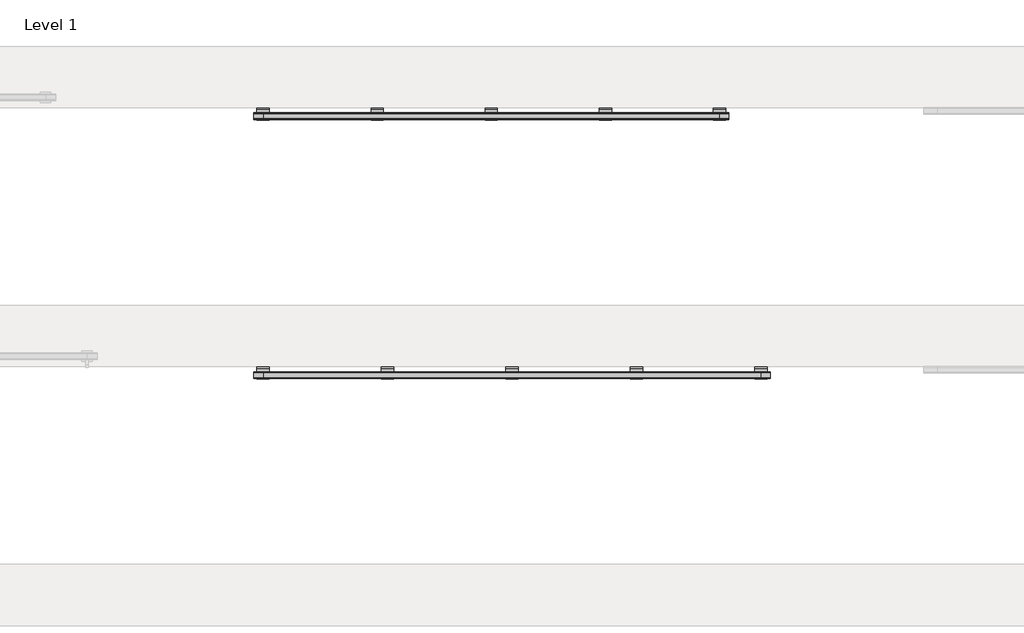
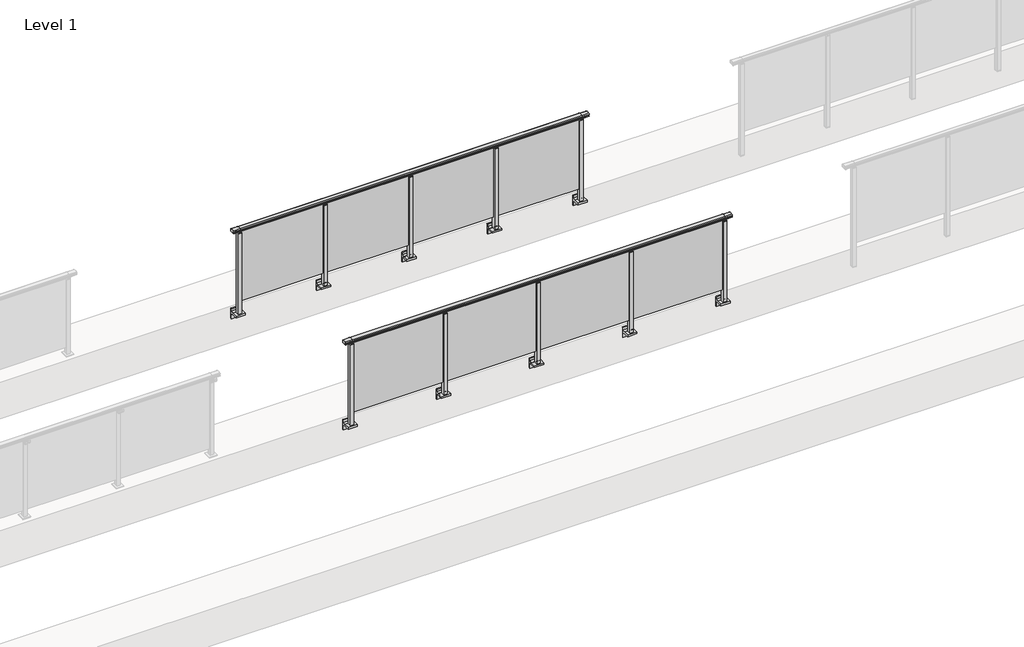
# One storey, part 56 of 64: 2 railings.
"""IFC4 building model written with IfcOpenShell, lengths in millimetres."""

from ifc_helpers import new_model, si_unit, point, frame, frame_2d, origin, place, context, project, spatial, polyline, circle_curve, trimmed, segment, composite_curve, outline, extrude, element, save
from ifc_brep_helpers import plane_surface, cylinder_surface, revolved_surface, advanced_brep

model = new_model("IFC4")

# Units and contexts
model_context = context("Model", 3, world=origin())
ifc_project = project(units=[si_unit("LENGTHUNIT", "METRE", prefix="MILLI")], contexts=[model_context])

# Site, building, storey
site = spatial("IfcSite", under=ifc_project)
building = spatial("IfcBuilding", under=site)
storey = spatial("IfcBuildingStorey", under=building, Name="Level 1", Elevation=0.0)

# Railings
placement = place(None, origin())
element("IfcRailing", 1, at=placement, inside=storey, context=model_context, shape_type="SolidModel", body=[
    advanced_brep(
    [(42910.0, 32342.8633756, 1095.6691182), (42910.0, 32347.6846828, 1081.1334092), (42910.0, 32346.7413744, 1069.2539035), (42910.0, 32348.6364177, 1061.4863007), (42910.0, 32346.9894799, 1060.384124), (42910.0, 32346.9894799, 1062.0), (42910.0, 32288.3798858, 1062.0), (42910.0, 32288.3798858, 1060.384124), (42910.0, 32286.732948, 1061.4863007), (42910.0, 32288.6279912, 1069.2539035), (42910.0, 32287.6846828, 1081.1334092), (42910.0, 32292.50599, 1095.6691182), (47890.0, 32342.8633756, 1095.6691182), (47890.0, 32292.50599, 1095.6691182), (47890.0, 32287.6846828, 1081.1334092), (47890.0, 32288.6279912, 1069.2539035), (47890.0, 32286.732948, 1061.4863007), (47890.0, 32288.3798858, 1060.384124), (47890.0, 32288.3798858, 1062.0), (47890.0, 32346.9894799, 1062.0), (47890.0, 32346.9894799, 1060.384124), (47890.0, 32348.6364177, 1061.4863007), (47890.0, 32346.7413744, 1069.2539035), (47890.0, 32347.6846828, 1081.1334092), (43000.0, 32342.8633756, 1095.6691182), (43000.0, 32347.6846828, 1081.1334092), (43000.0, 32346.7413744, 1069.2539035), (43000.0, 32348.6364177, 1061.4863007), (43000.0, 32346.9894799, 1060.384124), (43000.0, 32346.9894799, 1062.0), (43000.0, 32288.3798858, 1062.0), (43000.0, 32288.3798858, 1060.384124), (43000.0, 32286.732948, 1061.4863007), (43000.0, 32288.6279912, 1069.2539035), (43000.0, 32287.6846828, 1081.1334092), (43000.0, 32292.50599, 1095.6691182), (47800.0, 32342.8633756, 1095.6691182), (47800.0, 32347.6846828, 1081.1334092), (47800.0, 32346.7413744, 1069.2539035), (47800.0, 32348.6364177, 1061.4863007), (47800.0, 32346.9894799, 1060.384124), (47800.0, 32346.9894799, 1062.0), (47800.0, 32288.3798858, 1062.0), (47800.0, 32288.3798858, 1060.384124), (47800.0, 32286.732948, 1061.4863007), (47800.0, 32288.6279912, 1069.2539035), (47800.0, 32287.6846828, 1081.1334092), (47800.0, 32292.50599, 1095.6691182)],
    [
        (0, 1, circle_curve(frame((42910.0, 32339.6223845, 1086.526686), z_axis=(-1.0, 0.0, 0.0), x_axis=(0.0, -1.0, 0.0)), 9.6999015)),
        (1, 2, circle_curve(frame((42910.0, 32365.2252545, 1073.7633709), z_axis=(1.0, 0.0, 0.0), x_axis=(0.0, -1.0, 0.0)), 19.0260117)),
        (2, 3),
        (3, 4, circle_curve(frame((42910.0, 32347.7772073, 1060.9886194), z_axis=(-1.0, 0.0, 0.0), x_axis=(0.0, -1.0, 0.0)), 0.9929396)),
        (4, 5),
        (5, 6),
        (6, 7),
        (7, 8, circle_curve(frame((42910.0, 32287.5921584, 1060.9886194), z_axis=(-1.0, 0.0, 0.0), x_axis=(0.0, 1.0, 0.0)), 0.9929396)),
        (8, 9),
        (9, 10, circle_curve(frame((42910.0, 32270.1441111, 1073.7633709), z_axis=(1.0, 0.0, 0.0), x_axis=(0.0, 1.0, 0.0)), 19.0260117)),
        (10, 11, circle_curve(frame((42910.0, 32295.7469812, 1086.526686), z_axis=(-1.0, 0.0, 0.0), x_axis=(0.0, 1.0, 0.0)), 9.6999015)),
        (11, 0, circle_curve(frame((42910.0, 32317.6846828, 1024.6431628), z_axis=(-1.0, 0.0, 0.0), x_axis=(0.0, 1.0, 0.0)), 75.3568372)),
        (12, 13, circle_curve(frame((47890.0, 32317.6846828, 1024.6431628), z_axis=(1.0, 0.0, 0.0), x_axis=(0.0, 1.0, 0.0)), 75.3568372)),
        (13, 14, circle_curve(frame((47890.0, 32295.7469812, 1086.526686), z_axis=(1.0, 0.0, 0.0), x_axis=(0.0, 1.0, 0.0)), 9.6999015)),
        (14, 15, circle_curve(frame((47890.0, 32270.1441111, 1073.7633709), z_axis=(-1.0, 0.0, 0.0), x_axis=(0.0, 1.0, 0.0)), 19.0260117)),
        (15, 16),
        (16, 17, circle_curve(frame((47890.0, 32287.5921584, 1060.9886194), z_axis=(1.0, 0.0, 0.0), x_axis=(0.0, 1.0, 0.0)), 0.9929396)),
        (17, 18),
        (18, 19),
        (19, 20),
        (20, 21, circle_curve(frame((47890.0, 32347.7772073, 1060.9886194), z_axis=(1.0, 0.0, 0.0), x_axis=(0.0, -1.0, 0.0)), 0.9929396)),
        (21, 22),
        (22, 23, circle_curve(frame((47890.0, 32365.2252545, 1073.7633709), z_axis=(-1.0, 0.0, 0.0), x_axis=(0.0, -1.0, 0.0)), 19.0260117)),
        (23, 12, circle_curve(frame((47890.0, 32339.6223845, 1086.526686), z_axis=(1.0, 0.0, 0.0), x_axis=(0.0, -1.0, 0.0)), 9.6999015)),
        (0, 24),
        (24, 25, circle_curve(frame((43000.0, 32339.6223845, 1086.526686), z_axis=(-1.0, 0.0, 0.0), x_axis=(0.0, -1.0, 0.0)), 9.6999015)),
        (25, 1),
        (25, 26, circle_curve(frame((43000.0, 32365.2252545, 1073.7633709), z_axis=(1.0, 0.0, 0.0), x_axis=(0.0, -1.0, 0.0)), 19.0260117)),
        (26, 2),
        (26, 27),
        (27, 3),
        (27, 28, circle_curve(frame((43000.0, 32347.7772073, 1060.9886194), z_axis=(-1.0, 0.0, 0.0), x_axis=(0.0, -1.0, 0.0)), 0.9929396)),
        (28, 4),
        (28, 29),
        (29, 5),
        (29, 30),
        (30, 6),
        (30, 31),
        (31, 7),
        (31, 32, circle_curve(frame((43000.0, 32287.5921584, 1060.9886194), z_axis=(-1.0, 0.0, 0.0), x_axis=(0.0, 1.0, 0.0)), 0.9929396)),
        (32, 8),
        (32, 33),
        (33, 9),
        (33, 34, circle_curve(frame((43000.0, 32270.1441111, 1073.7633709), z_axis=(1.0, 0.0, 0.0), x_axis=(0.0, 1.0, 0.0)), 19.0260117)),
        (34, 10),
        (34, 35, circle_curve(frame((43000.0, 32295.7469812, 1086.526686), z_axis=(-1.0, 0.0, 0.0), x_axis=(0.0, 1.0, 0.0)), 9.6999015)),
        (35, 11),
        (35, 24, circle_curve(frame((43000.0, 32317.6846828, 1024.6431628), z_axis=(-1.0, 0.0, 0.0), x_axis=(0.0, 1.0, 0.0)), 75.3568372)),
        (24, 36),
        (36, 37, circle_curve(frame((47800.0, 32339.6223845, 1086.526686), z_axis=(-1.0, 0.0, 0.0), x_axis=(0.0, -1.0, 0.0)), 9.6999015)),
        (37, 25),
        (37, 38, circle_curve(frame((47800.0, 32365.2252545, 1073.7633709), z_axis=(1.0, 0.0, 0.0), x_axis=(0.0, -1.0, 0.0)), 19.0260117)),
        (38, 26),
        (38, 39),
        (39, 27),
        (39, 40, circle_curve(frame((47800.0, 32347.7772073, 1060.9886194), z_axis=(-1.0, 0.0, 0.0), x_axis=(0.0, -1.0, 0.0)), 0.9929396)),
        (40, 28),
        (40, 41),
        (41, 29),
        (41, 42),
        (42, 30),
        (42, 43),
        (43, 31),
        (43, 44, circle_curve(frame((47800.0, 32287.5921584, 1060.9886194), z_axis=(-1.0, 0.0, 0.0), x_axis=(0.0, 1.0, 0.0)), 0.9929396)),
        (44, 32),
        (44, 45),
        (45, 33),
        (45, 46, circle_curve(frame((47800.0, 32270.1441111, 1073.7633709), z_axis=(1.0, 0.0, 0.0), x_axis=(0.0, 1.0, 0.0)), 19.0260117)),
        (46, 34),
        (46, 47, circle_curve(frame((47800.0, 32295.7469812, 1086.526686), z_axis=(-1.0, 0.0, 0.0), x_axis=(0.0, 1.0, 0.0)), 9.6999015)),
        (47, 35),
        (47, 36, circle_curve(frame((47800.0, 32317.6846828, 1024.6431628), z_axis=(-1.0, 0.0, 0.0), x_axis=(0.0, 1.0, 0.0)), 75.3568372)),
        (36, 12),
        (23, 37),
        (22, 38),
        (21, 39),
        (20, 40),
        (19, 41),
        (18, 42),
        (17, 43),
        (16, 44),
        (15, 45),
        (14, 46),
        (13, 47),
    ],
    [
        plane_surface(frame((42910.0, 32317.6846828, 1100.0), z_axis=(-1.0, 0.0, 0.0), x_axis=(0.0, 1.0, 0.0))),
        plane_surface(frame((47890.0, 32317.6846828, 1100.0), z_axis=(1.0, 0.0, 0.0), x_axis=(0.0, 1.0, 0.0))),
        cylinder_surface(frame((42910.0, 32339.6223845, 1086.526686), z_axis=(-1.0, 0.0, 0.0), x_axis=(0.0, -1.0, 0.0)), 9.6999015),
        revolved_surface(polyline([(43000.0, 32346.1992428, 1073.7633709), (42910.0, 32346.1992428, 1073.7633709)]), (42910.0, 32365.2252545, 1073.7633709), (1.0, 0.0, 0.0)),
        plane_surface(frame((42910.0, 32346.7413744, 1069.2539035), z_axis=(0.0, 0.9715057689301543, 0.2370159086125439), x_axis=(1.0, 0.0, 0.0))),
        cylinder_surface(frame((42910.0, 32347.7772073, 1060.9886194), z_axis=(-1.0, 0.0, 0.0), x_axis=(0.0, -1.0, 0.0)), 0.9929396),
        plane_surface(frame((42910.0, 32346.9894799, 1060.384124), z_axis=(0.0, -1.0, 0.0), x_axis=(1.0, 0.0, 0.0))),
        plane_surface(frame((42910.0, 32346.9894799, 1062.0), z_axis=(0.0, 0.0, -1.0), x_axis=(1.0, 0.0, 0.0))),
        plane_surface(frame((42910.0, 32288.3798858, 1062.0), z_axis=(0.0, 1.0, 0.0), x_axis=(1.0, 0.0, 0.0))),
        cylinder_surface(frame((42910.0, 32287.5921584, 1060.9886194), z_axis=(-1.0, 0.0, 0.0), x_axis=(0.0, 1.0, 0.0)), 0.9929396),
        plane_surface(frame((42910.0, 32286.732948, 1061.4863007), z_axis=(0.0, -0.9715057689301543, 0.2370159086125439), x_axis=(1.0, 0.0, 0.0))),
        revolved_surface(polyline([(43000.0, 32289.1701228, 1073.7633709), (42910.0, 32289.1701228, 1073.7633709)]), (42910.0, 32270.1441111, 1073.7633709), (1.0, 0.0, 0.0)),
        cylinder_surface(frame((42910.0, 32295.7469812, 1086.526686), z_axis=(-1.0, 0.0, 0.0), x_axis=(0.0, 1.0, 0.0)), 9.6999015),
        cylinder_surface(frame((42910.0, 32317.6846828, 1024.6431628), z_axis=(-1.0, 0.0, 0.0), x_axis=(0.0, 1.0, 0.0)), 75.3568372),
        cylinder_surface(frame((43000.0, 32339.6223845, 1086.526686), z_axis=(-1.0, 0.0, 0.0), x_axis=(0.0, -1.0, 0.0)), 9.6999015),
        revolved_surface(polyline([(47800.0, 32346.1992428, 1073.7633709), (43000.0, 32346.1992428, 1073.7633709)]), (43000.0, 32365.2252545, 1073.7633709), (1.0, 0.0, 0.0)),
        plane_surface(frame((43000.0, 32346.7413744, 1069.2539035), z_axis=(0.0, 0.9715057689301543, 0.2370159086125439), x_axis=(1.0, 0.0, 0.0))),
        cylinder_surface(frame((43000.0, 32347.7772073, 1060.9886194), z_axis=(-1.0, 0.0, 0.0), x_axis=(0.0, -1.0, 0.0)), 0.9929396),
        plane_surface(frame((43000.0, 32346.9894799, 1060.384124), z_axis=(0.0, -1.0, 0.0), x_axis=(1.0, 0.0, 0.0))),
        plane_surface(frame((43000.0, 32346.9894799, 1062.0), z_axis=(0.0, 0.0, -1.0), x_axis=(1.0, 0.0, 0.0))),
        plane_surface(frame((43000.0, 32288.3798858, 1062.0), z_axis=(0.0, 1.0, 0.0), x_axis=(1.0, 0.0, 0.0))),
        cylinder_surface(frame((43000.0, 32287.5921584, 1060.9886194), z_axis=(-1.0, 0.0, 0.0), x_axis=(0.0, 1.0, 0.0)), 0.9929396),
        plane_surface(frame((43000.0, 32286.732948, 1061.4863007), z_axis=(0.0, -0.9715057689301543, 0.2370159086125439), x_axis=(1.0, 0.0, 0.0))),
        revolved_surface(polyline([(47800.0, 32289.1701228, 1073.7633709), (43000.0, 32289.1701228, 1073.7633709)]), (43000.0, 32270.1441111, 1073.7633709), (1.0, 0.0, 0.0)),
        cylinder_surface(frame((43000.0, 32295.7469812, 1086.526686), z_axis=(-1.0, 0.0, 0.0), x_axis=(0.0, 1.0, 0.0)), 9.6999015),
        cylinder_surface(frame((43000.0, 32317.6846828, 1024.6431628), z_axis=(-1.0, 0.0, 0.0), x_axis=(0.0, 1.0, 0.0)), 75.3568372),
        cylinder_surface(frame((47800.0, 32339.6223845, 1086.526686), z_axis=(-1.0, 0.0, 0.0), x_axis=(0.0, -1.0, 0.0)), 9.6999015),
        revolved_surface(polyline([(47890.0, 32346.1992428, 1073.7633709), (47800.0, 32346.1992428, 1073.7633709)]), (47800.0, 32365.2252545, 1073.7633709), (1.0, 0.0, 0.0)),
        plane_surface(frame((47800.0, 32346.7413744, 1069.2539035), z_axis=(0.0, 0.9715057689301543, 0.2370159086125439), x_axis=(1.0, 0.0, 0.0))),
        cylinder_surface(frame((47800.0, 32347.7772073, 1060.9886194), z_axis=(-1.0, 0.0, 0.0), x_axis=(0.0, -1.0, 0.0)), 0.9929396),
        plane_surface(frame((47800.0, 32346.9894799, 1060.384124), z_axis=(0.0, -1.0, 0.0), x_axis=(1.0, 0.0, 0.0))),
        plane_surface(frame((47800.0, 32346.9894799, 1062.0), z_axis=(0.0, 0.0, -1.0), x_axis=(1.0, 0.0, 0.0))),
        plane_surface(frame((47800.0, 32288.3798858, 1062.0), z_axis=(0.0, 1.0, 0.0), x_axis=(1.0, 0.0, 0.0))),
        cylinder_surface(frame((47800.0, 32287.5921584, 1060.9886194), z_axis=(-1.0, 0.0, 0.0), x_axis=(0.0, 1.0, 0.0)), 0.9929396),
        plane_surface(frame((47800.0, 32286.732948, 1061.4863007), z_axis=(0.0, -0.9715057689301543, 0.2370159086125439), x_axis=(1.0, 0.0, 0.0))),
        revolved_surface(polyline([(47890.0, 32289.1701228, 1073.7633709), (47800.0, 32289.1701228, 1073.7633709)]), (47800.0, 32270.1441111, 1073.7633709), (1.0, 0.0, 0.0)),
        cylinder_surface(frame((47800.0, 32295.7469812, 1086.526686), z_axis=(-1.0, 0.0, 0.0), x_axis=(0.0, 1.0, 0.0)), 9.6999015),
        cylinder_surface(frame((47800.0, 32317.6846828, 1024.6431628), z_axis=(-1.0, 0.0, 0.0), x_axis=(0.0, 1.0, 0.0)), 75.3568372),
    ],
    [
        (0, [[1, 2, 3, 4, 5, 6, 7, 8, 9, 10, 11, 12]]),
        (1, [[13, 14, 15, 16, 17, 18, 19, 20, 21, 22, 23, 24]]),
        (2, [[-1, 25, 26, 27]]),
        (3, [[-2, -27, 28, 29]]),
        (4, [[-3, -29, 30, 31]]),
        (5, [[-4, -31, 32, 33]]),
        (6, [[-5, -33, 34, 35]]),
        (7, [[-6, -35, 36, 37]]),
        (8, [[-7, -37, 38, 39]]),
        (9, [[-8, -39, 40, 41]]),
        (10, [[-9, -41, 42, 43]]),
        (11, [[-10, -43, 44, 45]]),
        (12, [[-11, -45, 46, 47]]),
        (13, [[-12, -47, 48, -25]]),
        (14, [[-26, 49, 50, 51]]),
        (15, [[-28, -51, 52, 53]]),
        (16, [[-30, -53, 54, 55]]),
        (17, [[-32, -55, 56, 57]]),
        (18, [[-34, -57, 58, 59]]),
        (19, [[-36, -59, 60, 61]]),
        (20, [[-38, -61, 62, 63]]),
        (21, [[-40, -63, 64, 65]]),
        (22, [[-42, -65, 66, 67]]),
        (23, [[-44, -67, 68, 69]]),
        (24, [[-46, -69, 70, 71]]),
        (25, [[-48, -71, 72, -49]]),
        (26, [[-50, 73, -24, 74]]),
        (27, [[-52, -74, -23, 75]]),
        (28, [[-54, -75, -22, 76]]),
        (29, [[-56, -76, -21, 77]]),
        (30, [[-58, -77, -20, 78]]),
        (31, [[-60, -78, -19, 79]]),
        (32, [[-62, -79, -18, 80]]),
        (33, [[-64, -80, -17, 81]]),
        (34, [[-66, -81, -16, 82]]),
        (35, [[-68, -82, -15, 83]]),
        (36, [[-70, -83, -14, 84]]),
        (37, [[-72, -84, -13, -73]]),
    ],
),
    extrude(outline(polyline([(46610.0, 32311.9094929), (46610.0, 32321.9094929), (47790.0, 32321.9094929), (47790.0, 32311.9094929), (46610.0, 32311.9094929)])), frame((0.0, 0.0, 95.0), z_axis=(0.0, 0.0, 1.0), x_axis=(1.0, 0.0, 0.0)), (0.0, 0.0, 1.0), 960.0),
    extrude(outline(composite_curve([segment(polyline([(32350.1846828, -70.0), (32384.1846828, -63.0), (32384.1846828, -32.5), (32400.1846828, -32.5), (32400.1846828, -167.5), (32384.1846828, -167.5), (32384.1846828, -113.5)]), True, "CONTINUOUS"), segment(trimmed(circle_curve(frame_2d((32364.1846828, -113.5)), 20.0), [point((32384.1846828, -113.5))], [point((32364.1846828, -93.5))], True, "CARTESIAN"), True, "CONTINUOUS"), segment(polyline([(32364.1846828, -93.5), (32280.1846828, -93.5), (32280.1846828, -70.0), (32350.1846828, -70.0)]), True, "CONTINUOUS")], self_intersect=False)), frame((46540.0, 0.0, 0.0), z_axis=(1.0, 0.0, 0.0), x_axis=(0.0, 1.0, 0.0)), (0.0, 0.0, 1.0), 120.0),
    extrude(outline(polyline([(46622.5, 32340.1846828), (46622.5, 32295.1846828), (46577.5, 32295.1846828), (46577.5, 32340.1846828), (46622.5, 32340.1846828)])), frame((0.0, 0.0, -70.0), z_axis=(0.0, 0.0, 1.0), x_axis=(1.0, 0.0, 0.0)), (0.0, 0.0, 1.0), 1097.0),
    extrude(outline(polyline([(46610.0, 32327.6846828), (46610.0, 32307.6846828), (46590.0, 32307.6846828), (46590.0, 32327.6846828), (46610.0, 32327.6846828)])), frame((0.0, 0.0, 1035.0), z_axis=(0.0, 0.0, 1.0), x_axis=(1.0, 0.0, 0.0)), (0.0, 0.0, 1.0), 20.0),
    extrude(outline(polyline([(46622.5, 32340.1846828), (46622.5, 32295.1846828), (46577.5, 32295.1846828), (46577.5, 32340.1846828), (46622.5, 32340.1846828)])), frame((0.0, 0.0, 1027.0), z_axis=(0.0, 0.0, 1.0), x_axis=(1.0, 0.0, 0.0)), (0.0, 0.0, 1.0), 8.0),
    extrude(outline(polyline([(45410.0, 32311.9094929), (45410.0, 32321.9094929), (46590.0, 32321.9094929), (46590.0, 32311.9094929), (45410.0, 32311.9094929)])), frame((0.0, 0.0, 95.0), z_axis=(0.0, 0.0, 1.0), x_axis=(1.0, 0.0, 0.0)), (0.0, 0.0, 1.0), 960.0),
    extrude(outline(composite_curve([segment(polyline([(32350.1846828, -70.0), (32384.1846828, -63.0), (32384.1846828, -32.5), (32400.1846828, -32.5), (32400.1846828, -167.5), (32384.1846828, -167.5), (32384.1846828, -113.5)]), True, "CONTINUOUS"), segment(trimmed(circle_curve(frame_2d((32364.1846828, -113.5)), 20.0), [point((32384.1846828, -113.5))], [point((32364.1846828, -93.5))], True, "CARTESIAN"), True, "CONTINUOUS"), segment(polyline([(32364.1846828, -93.5), (32280.1846828, -93.5), (32280.1846828, -70.0), (32350.1846828, -70.0)]), True, "CONTINUOUS")], self_intersect=False)), frame((45340.0, 0.0, 0.0), z_axis=(1.0, 0.0, 0.0), x_axis=(0.0, 1.0, 0.0)), (0.0, 0.0, 1.0), 120.0),
    extrude(outline(polyline([(45422.5, 32340.1846828), (45422.5, 32295.1846828), (45377.5, 32295.1846828), (45377.5, 32340.1846828), (45422.5, 32340.1846828)])), frame((0.0, 0.0, -70.0), z_axis=(0.0, 0.0, 1.0), x_axis=(1.0, 0.0, 0.0)), (0.0, 0.0, 1.0), 1097.0),
    extrude(outline(polyline([(45410.0, 32327.6846828), (45410.0, 32307.6846828), (45390.0, 32307.6846828), (45390.0, 32327.6846828), (45410.0, 32327.6846828)])), frame((0.0, 0.0, 1035.0), z_axis=(0.0, 0.0, 1.0), x_axis=(1.0, 0.0, 0.0)), (0.0, 0.0, 1.0), 20.0),
    extrude(outline(polyline([(45422.5, 32340.1846828), (45422.5, 32295.1846828), (45377.5, 32295.1846828), (45377.5, 32340.1846828), (45422.5, 32340.1846828)])), frame((0.0, 0.0, 1027.0), z_axis=(0.0, 0.0, 1.0), x_axis=(1.0, 0.0, 0.0)), (0.0, 0.0, 1.0), 8.0),
    extrude(outline(polyline([(44210.0, 32311.9094929), (44210.0, 32321.9094929), (45390.0, 32321.9094929), (45390.0, 32311.9094929), (44210.0, 32311.9094929)])), frame((0.0, 0.0, 95.0), z_axis=(0.0, 0.0, 1.0), x_axis=(1.0, 0.0, 0.0)), (0.0, 0.0, 1.0), 960.0),
    extrude(outline(composite_curve([segment(polyline([(32350.1846828, -70.0), (32384.1846828, -63.0), (32384.1846828, -32.5), (32400.1846828, -32.5), (32400.1846828, -167.5), (32384.1846828, -167.5), (32384.1846828, -113.5)]), True, "CONTINUOUS"), segment(trimmed(circle_curve(frame_2d((32364.1846828, -113.5)), 20.0), [point((32384.1846828, -113.5))], [point((32364.1846828, -93.5))], True, "CARTESIAN"), True, "CONTINUOUS"), segment(polyline([(32364.1846828, -93.5), (32280.1846828, -93.5), (32280.1846828, -70.0), (32350.1846828, -70.0)]), True, "CONTINUOUS")], self_intersect=False)), frame((44140.0, 0.0, 0.0), z_axis=(1.0, 0.0, 0.0), x_axis=(0.0, 1.0, 0.0)), (0.0, 0.0, 1.0), 120.0),
    extrude(outline(polyline([(44222.5, 32340.1846828), (44222.5, 32295.1846828), (44177.5, 32295.1846828), (44177.5, 32340.1846828), (44222.5, 32340.1846828)])), frame((0.0, 0.0, -70.0), z_axis=(0.0, 0.0, 1.0), x_axis=(1.0, 0.0, 0.0)), (0.0, 0.0, 1.0), 1097.0),
    extrude(outline(polyline([(44210.0, 32327.6846828), (44210.0, 32307.6846828), (44190.0, 32307.6846828), (44190.0, 32327.6846828), (44210.0, 32327.6846828)])), frame((0.0, 0.0, 1035.0), z_axis=(0.0, 0.0, 1.0), x_axis=(1.0, 0.0, 0.0)), (0.0, 0.0, 1.0), 20.0),
    extrude(outline(polyline([(44222.5, 32340.1846828), (44222.5, 32295.1846828), (44177.5, 32295.1846828), (44177.5, 32340.1846828), (44222.5, 32340.1846828)])), frame((0.0, 0.0, 1027.0), z_axis=(0.0, 0.0, 1.0), x_axis=(1.0, 0.0, 0.0)), (0.0, 0.0, 1.0), 8.0),
    extrude(outline(polyline([(43010.0, 32311.9094929), (43010.0, 32321.9094929), (44190.0, 32321.9094929), (44190.0, 32311.9094929), (43010.0, 32311.9094929)])), frame((0.0, 0.0, 95.0), z_axis=(0.0, 0.0, 1.0), x_axis=(1.0, 0.0, 0.0)), (0.0, 0.0, 1.0), 960.0),
    extrude(outline(composite_curve([segment(polyline([(32350.1846828, -70.0), (32384.1846828, -63.0), (32384.1846828, -32.5), (32400.1846828, -32.5), (32400.1846828, -167.5), (32384.1846828, -167.5), (32384.1846828, -113.5)]), True, "CONTINUOUS"), segment(trimmed(circle_curve(frame_2d((32364.1846828, -113.5)), 20.0), [point((32384.1846828, -113.5))], [point((32364.1846828, -93.5))], True, "CARTESIAN"), True, "CONTINUOUS"), segment(polyline([(32364.1846828, -93.5), (32280.1846828, -93.5), (32280.1846828, -70.0), (32350.1846828, -70.0)]), True, "CONTINUOUS")], self_intersect=False)), frame((47740.0, 0.0, 0.0), z_axis=(1.0, 0.0, 0.0), x_axis=(0.0, 1.0, 0.0)), (0.0, 0.0, 1.0), 120.0),
    extrude(outline(polyline([(47822.5, 32340.1846828), (47822.5, 32295.1846828), (47777.5, 32295.1846828), (47777.5, 32340.1846828), (47822.5, 32340.1846828)])), frame((0.0, 0.0, -70.0), z_axis=(0.0, 0.0, 1.0), x_axis=(1.0, 0.0, 0.0)), (0.0, 0.0, 1.0), 1097.0),
    extrude(outline(polyline([(47810.0, 32327.6846828), (47810.0, 32307.6846828), (47790.0, 32307.6846828), (47790.0, 32327.6846828), (47810.0, 32327.6846828)])), frame((0.0, 0.0, 1035.0), z_axis=(0.0, 0.0, 1.0), x_axis=(1.0, 0.0, 0.0)), (0.0, 0.0, 1.0), 20.0),
    extrude(outline(polyline([(47822.5, 32340.1846828), (47822.5, 32295.1846828), (47777.5, 32295.1846828), (47777.5, 32340.1846828), (47822.5, 32340.1846828)])), frame((0.0, 0.0, 1027.0), z_axis=(0.0, 0.0, 1.0), x_axis=(1.0, 0.0, 0.0)), (0.0, 0.0, 1.0), 8.0),
    extrude(outline(composite_curve([segment(polyline([(32350.1846828, -70.0), (32384.1846828, -63.0), (32384.1846828, -32.5), (32400.1846828, -32.5), (32400.1846828, -167.5), (32384.1846828, -167.5), (32384.1846828, -113.5)]), True, "CONTINUOUS"), segment(trimmed(circle_curve(frame_2d((32364.1846828, -113.5)), 20.0), [point((32384.1846828, -113.5))], [point((32364.1846828, -93.5))], True, "CARTESIAN"), True, "CONTINUOUS"), segment(polyline([(32364.1846828, -93.5), (32280.1846828, -93.5), (32280.1846828, -70.0), (32350.1846828, -70.0)]), True, "CONTINUOUS")], self_intersect=False)), frame((42940.0, 0.0, 0.0), z_axis=(1.0, 0.0, 0.0), x_axis=(0.0, 1.0, 0.0)), (0.0, 0.0, 1.0), 120.0),
    extrude(outline(polyline([(43022.5, 32340.1846828), (43022.5, 32295.1846828), (42977.5, 32295.1846828), (42977.5, 32340.1846828), (43022.5, 32340.1846828)])), frame((0.0, 0.0, -70.0), z_axis=(0.0, 0.0, 1.0), x_axis=(1.0, 0.0, 0.0)), (0.0, 0.0, 1.0), 1097.0),
    extrude(outline(polyline([(43010.0, 32327.6846828), (43010.0, 32307.6846828), (42990.0, 32307.6846828), (42990.0, 32327.6846828), (43010.0, 32327.6846828)])), frame((0.0, 0.0, 1035.0), z_axis=(0.0, 0.0, 1.0), x_axis=(1.0, 0.0, 0.0)), (0.0, 0.0, 1.0), 20.0),
    extrude(outline(polyline([(43022.5, 32340.1846828), (43022.5, 32295.1846828), (42977.5, 32295.1846828), (42977.5, 32340.1846828), (43022.5, 32340.1846828)])), frame((0.0, 0.0, 1027.0), z_axis=(0.0, 0.0, 1.0), x_axis=(1.0, 0.0, 0.0)), (0.0, 0.0, 1.0), 8.0),
])
element("IfcRailing", 2, at=placement, inside=storey, context=model_context, shape_type="SolidModel", body=[
    advanced_brep(
    [(42910.0, 34842.8633756, 1095.6691182), (42910.0, 34847.6846828, 1081.1334092), (42910.0, 34846.7413744, 1069.2539035), (42910.0, 34848.6364177, 1061.4863007), (42910.0, 34846.9894799, 1060.384124), (42910.0, 34846.9894799, 1062.0), (42910.0, 34788.3798858, 1062.0), (42910.0, 34788.3798858, 1060.384124), (42910.0, 34786.732948, 1061.4863007), (42910.0, 34788.6279912, 1069.2539035), (42910.0, 34787.6846828, 1081.1334092), (42910.0, 34792.50599, 1095.6691182), (47490.0, 34842.8633756, 1095.6691182), (47490.0, 34792.50599, 1095.6691182), (47490.0, 34787.6846828, 1081.1334092), (47490.0, 34788.6279912, 1069.2539035), (47490.0, 34786.732948, 1061.4863007), (47490.0, 34788.3798858, 1060.384124), (47490.0, 34788.3798858, 1062.0), (47490.0, 34846.9894799, 1062.0), (47490.0, 34846.9894799, 1060.384124), (47490.0, 34848.6364177, 1061.4863007), (47490.0, 34846.7413744, 1069.2539035), (47490.0, 34847.6846828, 1081.1334092), (43000.0, 34842.8633756, 1095.6691182), (43000.0, 34847.6846828, 1081.1334092), (43000.0, 34846.7413744, 1069.2539035), (43000.0, 34848.6364177, 1061.4863007), (43000.0, 34846.9894799, 1060.384124), (43000.0, 34846.9894799, 1062.0), (43000.0, 34788.3798858, 1062.0), (43000.0, 34788.3798858, 1060.384124), (43000.0, 34786.732948, 1061.4863007), (43000.0, 34788.6279912, 1069.2539035), (43000.0, 34787.6846828, 1081.1334092), (43000.0, 34792.50599, 1095.6691182), (47400.0, 34842.8633756, 1095.6691182), (47400.0, 34847.6846828, 1081.1334092), (47400.0, 34846.7413744, 1069.2539035), (47400.0, 34848.6364177, 1061.4863007), (47400.0, 34846.9894799, 1060.384124), (47400.0, 34846.9894799, 1062.0), (47400.0, 34788.3798858, 1062.0), (47400.0, 34788.3798858, 1060.384124), (47400.0, 34786.732948, 1061.4863007), (47400.0, 34788.6279912, 1069.2539035), (47400.0, 34787.6846828, 1081.1334092), (47400.0, 34792.50599, 1095.6691182)],
    [
        (0, 1, circle_curve(frame((42910.0, 34839.6223845, 1086.526686), z_axis=(-1.0, 0.0, 0.0), x_axis=(0.0, -1.0, 0.0)), 9.6999015)),
        (1, 2, circle_curve(frame((42910.0, 34865.2252545, 1073.7633709), z_axis=(1.0, 0.0, 0.0), x_axis=(0.0, -1.0, 0.0)), 19.0260117)),
        (2, 3),
        (3, 4, circle_curve(frame((42910.0, 34847.7772073, 1060.9886194), z_axis=(-1.0, 0.0, 0.0), x_axis=(0.0, -1.0, 0.0)), 0.9929396)),
        (4, 5),
        (5, 6),
        (6, 7),
        (7, 8, circle_curve(frame((42910.0, 34787.5921584, 1060.9886194), z_axis=(-1.0, 0.0, 0.0), x_axis=(0.0, 1.0, 0.0)), 0.9929396)),
        (8, 9),
        (9, 10, circle_curve(frame((42910.0, 34770.1441111, 1073.7633709), z_axis=(1.0, 0.0, 0.0), x_axis=(0.0, 1.0, 0.0)), 19.0260117)),
        (10, 11, circle_curve(frame((42910.0, 34795.7469812, 1086.526686), z_axis=(-1.0, 0.0, 0.0), x_axis=(0.0, 1.0, 0.0)), 9.6999015)),
        (11, 0, circle_curve(frame((42910.0, 34817.6846828, 1024.6431628), z_axis=(-1.0, 0.0, 0.0), x_axis=(0.0, 1.0, 0.0)), 75.3568372)),
        (12, 13, circle_curve(frame((47490.0, 34817.6846828, 1024.6431628), z_axis=(1.0, 0.0, 0.0), x_axis=(0.0, 1.0, 0.0)), 75.3568372)),
        (13, 14, circle_curve(frame((47490.0, 34795.7469812, 1086.526686), z_axis=(1.0, 0.0, 0.0), x_axis=(0.0, 1.0, 0.0)), 9.6999015)),
        (14, 15, circle_curve(frame((47490.0, 34770.1441111, 1073.7633709), z_axis=(-1.0, 0.0, 0.0), x_axis=(0.0, 1.0, 0.0)), 19.0260117)),
        (15, 16),
        (16, 17, circle_curve(frame((47490.0, 34787.5921584, 1060.9886194), z_axis=(1.0, 0.0, 0.0), x_axis=(0.0, 1.0, 0.0)), 0.9929396)),
        (17, 18),
        (18, 19),
        (19, 20),
        (20, 21, circle_curve(frame((47490.0, 34847.7772073, 1060.9886194), z_axis=(1.0, 0.0, 0.0), x_axis=(0.0, -1.0, 0.0)), 0.9929396)),
        (21, 22),
        (22, 23, circle_curve(frame((47490.0, 34865.2252545, 1073.7633709), z_axis=(-1.0, 0.0, 0.0), x_axis=(0.0, -1.0, 0.0)), 19.0260117)),
        (23, 12, circle_curve(frame((47490.0, 34839.6223845, 1086.526686), z_axis=(1.0, 0.0, 0.0), x_axis=(0.0, -1.0, 0.0)), 9.6999015)),
        (0, 24),
        (24, 25, circle_curve(frame((43000.0, 34839.6223845, 1086.526686), z_axis=(-1.0, 0.0, 0.0), x_axis=(0.0, -1.0, 0.0)), 9.6999015)),
        (25, 1),
        (25, 26, circle_curve(frame((43000.0, 34865.2252545, 1073.7633709), z_axis=(1.0, 0.0, 0.0), x_axis=(0.0, -1.0, 0.0)), 19.0260117)),
        (26, 2),
        (26, 27),
        (27, 3),
        (27, 28, circle_curve(frame((43000.0, 34847.7772073, 1060.9886194), z_axis=(-1.0, 0.0, 0.0), x_axis=(0.0, -1.0, 0.0)), 0.9929396)),
        (28, 4),
        (28, 29),
        (29, 5),
        (29, 30),
        (30, 6),
        (30, 31),
        (31, 7),
        (31, 32, circle_curve(frame((43000.0, 34787.5921584, 1060.9886194), z_axis=(-1.0, 0.0, 0.0), x_axis=(0.0, 1.0, 0.0)), 0.9929396)),
        (32, 8),
        (32, 33),
        (33, 9),
        (33, 34, circle_curve(frame((43000.0, 34770.1441111, 1073.7633709), z_axis=(1.0, 0.0, 0.0), x_axis=(0.0, 1.0, 0.0)), 19.0260117)),
        (34, 10),
        (34, 35, circle_curve(frame((43000.0, 34795.7469812, 1086.526686), z_axis=(-1.0, 0.0, 0.0), x_axis=(0.0, 1.0, 0.0)), 9.6999015)),
        (35, 11),
        (35, 24, circle_curve(frame((43000.0, 34817.6846828, 1024.6431628), z_axis=(-1.0, 0.0, 0.0), x_axis=(0.0, 1.0, 0.0)), 75.3568372)),
        (24, 36),
        (36, 37, circle_curve(frame((47400.0, 34839.6223845, 1086.526686), z_axis=(-1.0, 0.0, 0.0), x_axis=(0.0, -1.0, 0.0)), 9.6999015)),
        (37, 25),
        (37, 38, circle_curve(frame((47400.0, 34865.2252545, 1073.7633709), z_axis=(1.0, 0.0, 0.0), x_axis=(0.0, -1.0, 0.0)), 19.0260117)),
        (38, 26),
        (38, 39),
        (39, 27),
        (39, 40, circle_curve(frame((47400.0, 34847.7772073, 1060.9886194), z_axis=(-1.0, 0.0, 0.0), x_axis=(0.0, -1.0, 0.0)), 0.9929396)),
        (40, 28),
        (40, 41),
        (41, 29),
        (41, 42),
        (42, 30),
        (42, 43),
        (43, 31),
        (43, 44, circle_curve(frame((47400.0, 34787.5921584, 1060.9886194), z_axis=(-1.0, 0.0, 0.0), x_axis=(0.0, 1.0, 0.0)), 0.9929396)),
        (44, 32),
        (44, 45),
        (45, 33),
        (45, 46, circle_curve(frame((47400.0, 34770.1441111, 1073.7633709), z_axis=(1.0, 0.0, 0.0), x_axis=(0.0, 1.0, 0.0)), 19.0260117)),
        (46, 34),
        (46, 47, circle_curve(frame((47400.0, 34795.7469812, 1086.526686), z_axis=(-1.0, 0.0, 0.0), x_axis=(0.0, 1.0, 0.0)), 9.6999015)),
        (47, 35),
        (47, 36, circle_curve(frame((47400.0, 34817.6846828, 1024.6431628), z_axis=(-1.0, 0.0, 0.0), x_axis=(0.0, 1.0, 0.0)), 75.3568372)),
        (36, 12),
        (23, 37),
        (22, 38),
        (21, 39),
        (20, 40),
        (19, 41),
        (18, 42),
        (17, 43),
        (16, 44),
        (15, 45),
        (14, 46),
        (13, 47),
    ],
    [
        plane_surface(frame((42910.0, 34817.6846828, 1100.0), z_axis=(-1.0, 0.0, 0.0), x_axis=(0.0, 1.0, 0.0))),
        plane_surface(frame((47490.0, 34817.6846828, 1100.0), z_axis=(1.0, 0.0, 0.0), x_axis=(0.0, 1.0, 0.0))),
        cylinder_surface(frame((42910.0, 34839.6223845, 1086.526686), z_axis=(-1.0, 0.0, 0.0), x_axis=(0.0, -1.0, 0.0)), 9.6999015),
        revolved_surface(polyline([(43000.0, 34846.1992428, 1073.7633709), (42910.0, 34846.1992428, 1073.7633709)]), (42910.0, 34865.2252545, 1073.7633709), (1.0, 0.0, 0.0)),
        plane_surface(frame((42910.0, 34846.7413744, 1069.2539035), z_axis=(0.0, 0.9715057689301543, 0.2370159086125439), x_axis=(1.0, 0.0, 0.0))),
        cylinder_surface(frame((42910.0, 34847.7772073, 1060.9886194), z_axis=(-1.0, 0.0, 0.0), x_axis=(0.0, -1.0, 0.0)), 0.9929396),
        plane_surface(frame((42910.0, 34846.9894799, 1060.384124), z_axis=(0.0, -1.0, 0.0), x_axis=(1.0, 0.0, 0.0))),
        plane_surface(frame((42910.0, 34846.9894799, 1062.0), z_axis=(0.0, 0.0, -1.0), x_axis=(1.0, 0.0, 0.0))),
        plane_surface(frame((42910.0, 34788.3798858, 1062.0), z_axis=(0.0, 1.0, 0.0), x_axis=(1.0, 0.0, 0.0))),
        cylinder_surface(frame((42910.0, 34787.5921584, 1060.9886194), z_axis=(-1.0, 0.0, 0.0), x_axis=(0.0, 1.0, 0.0)), 0.9929396),
        plane_surface(frame((42910.0, 34786.732948, 1061.4863007), z_axis=(0.0, -0.9715057689301543, 0.2370159086125439), x_axis=(1.0, 0.0, 0.0))),
        revolved_surface(polyline([(43000.0, 34789.1701228, 1073.7633709), (42910.0, 34789.1701228, 1073.7633709)]), (42910.0, 34770.1441111, 1073.7633709), (1.0, 0.0, 0.0)),
        cylinder_surface(frame((42910.0, 34795.7469812, 1086.526686), z_axis=(-1.0, 0.0, 0.0), x_axis=(0.0, 1.0, 0.0)), 9.6999015),
        cylinder_surface(frame((42910.0, 34817.6846828, 1024.6431628), z_axis=(-1.0, 0.0, 0.0), x_axis=(0.0, 1.0, 0.0)), 75.3568372),
        cylinder_surface(frame((43000.0, 34839.6223845, 1086.526686), z_axis=(-1.0, 0.0, 0.0), x_axis=(0.0, -1.0, 0.0)), 9.6999015),
        revolved_surface(polyline([(47400.0, 34846.1992428, 1073.7633709), (43000.0, 34846.1992428, 1073.7633709)]), (43000.0, 34865.2252545, 1073.7633709), (1.0, 0.0, 0.0)),
        plane_surface(frame((43000.0, 34846.7413744, 1069.2539035), z_axis=(0.0, 0.9715057689301543, 0.2370159086125439), x_axis=(1.0, 0.0, 0.0))),
        cylinder_surface(frame((43000.0, 34847.7772073, 1060.9886194), z_axis=(-1.0, 0.0, 0.0), x_axis=(0.0, -1.0, 0.0)), 0.9929396),
        plane_surface(frame((43000.0, 34846.9894799, 1060.384124), z_axis=(0.0, -1.0, 0.0), x_axis=(1.0, 0.0, 0.0))),
        plane_surface(frame((43000.0, 34846.9894799, 1062.0), z_axis=(0.0, 0.0, -1.0), x_axis=(1.0, 0.0, 0.0))),
        plane_surface(frame((43000.0, 34788.3798858, 1062.0), z_axis=(0.0, 1.0, 0.0), x_axis=(1.0, 0.0, 0.0))),
        cylinder_surface(frame((43000.0, 34787.5921584, 1060.9886194), z_axis=(-1.0, 0.0, 0.0), x_axis=(0.0, 1.0, 0.0)), 0.9929396),
        plane_surface(frame((43000.0, 34786.732948, 1061.4863007), z_axis=(0.0, -0.9715057689301543, 0.2370159086125439), x_axis=(1.0, 0.0, 0.0))),
        revolved_surface(polyline([(47400.0, 34789.1701228, 1073.7633709), (43000.0, 34789.1701228, 1073.7633709)]), (43000.0, 34770.1441111, 1073.7633709), (1.0, 0.0, 0.0)),
        cylinder_surface(frame((43000.0, 34795.7469812, 1086.526686), z_axis=(-1.0, 0.0, 0.0), x_axis=(0.0, 1.0, 0.0)), 9.6999015),
        cylinder_surface(frame((43000.0, 34817.6846828, 1024.6431628), z_axis=(-1.0, 0.0, 0.0), x_axis=(0.0, 1.0, 0.0)), 75.3568372),
        cylinder_surface(frame((47400.0, 34839.6223845, 1086.526686), z_axis=(-1.0, 0.0, 0.0), x_axis=(0.0, -1.0, 0.0)), 9.6999015),
        revolved_surface(polyline([(47490.0, 34846.1992428, 1073.7633709), (47400.0, 34846.1992428, 1073.7633709)]), (47400.0, 34865.2252545, 1073.7633709), (1.0, 0.0, 0.0)),
        plane_surface(frame((47400.0, 34846.7413744, 1069.2539035), z_axis=(0.0, 0.9715057689301543, 0.2370159086125439), x_axis=(1.0, 0.0, 0.0))),
        cylinder_surface(frame((47400.0, 34847.7772073, 1060.9886194), z_axis=(-1.0, 0.0, 0.0), x_axis=(0.0, -1.0, 0.0)), 0.9929396),
        plane_surface(frame((47400.0, 34846.9894799, 1060.384124), z_axis=(0.0, -1.0, 0.0), x_axis=(1.0, 0.0, 0.0))),
        plane_surface(frame((47400.0, 34846.9894799, 1062.0), z_axis=(0.0, 0.0, -1.0), x_axis=(1.0, 0.0, 0.0))),
        plane_surface(frame((47400.0, 34788.3798858, 1062.0), z_axis=(0.0, 1.0, 0.0), x_axis=(1.0, 0.0, 0.0))),
        cylinder_surface(frame((47400.0, 34787.5921584, 1060.9886194), z_axis=(-1.0, 0.0, 0.0), x_axis=(0.0, 1.0, 0.0)), 0.9929396),
        plane_surface(frame((47400.0, 34786.732948, 1061.4863007), z_axis=(0.0, -0.9715057689301543, 0.2370159086125439), x_axis=(1.0, 0.0, 0.0))),
        revolved_surface(polyline([(47490.0, 34789.1701228, 1073.7633709), (47400.0, 34789.1701228, 1073.7633709)]), (47400.0, 34770.1441111, 1073.7633709), (1.0, 0.0, 0.0)),
        cylinder_surface(frame((47400.0, 34795.7469812, 1086.526686), z_axis=(-1.0, 0.0, 0.0), x_axis=(0.0, 1.0, 0.0)), 9.6999015),
        cylinder_surface(frame((47400.0, 34817.6846828, 1024.6431628), z_axis=(-1.0, 0.0, 0.0), x_axis=(0.0, 1.0, 0.0)), 75.3568372),
    ],
    [
        (0, [[1, 2, 3, 4, 5, 6, 7, 8, 9, 10, 11, 12]]),
        (1, [[13, 14, 15, 16, 17, 18, 19, 20, 21, 22, 23, 24]]),
        (2, [[-1, 25, 26, 27]]),
        (3, [[-2, -27, 28, 29]]),
        (4, [[-3, -29, 30, 31]]),
        (5, [[-4, -31, 32, 33]]),
        (6, [[-5, -33, 34, 35]]),
        (7, [[-6, -35, 36, 37]]),
        (8, [[-7, -37, 38, 39]]),
        (9, [[-8, -39, 40, 41]]),
        (10, [[-9, -41, 42, 43]]),
        (11, [[-10, -43, 44, 45]]),
        (12, [[-11, -45, 46, 47]]),
        (13, [[-12, -47, 48, -25]]),
        (14, [[-26, 49, 50, 51]]),
        (15, [[-28, -51, 52, 53]]),
        (16, [[-30, -53, 54, 55]]),
        (17, [[-32, -55, 56, 57]]),
        (18, [[-34, -57, 58, 59]]),
        (19, [[-36, -59, 60, 61]]),
        (20, [[-38, -61, 62, 63]]),
        (21, [[-40, -63, 64, 65]]),
        (22, [[-42, -65, 66, 67]]),
        (23, [[-44, -67, 68, 69]]),
        (24, [[-46, -69, 70, 71]]),
        (25, [[-48, -71, 72, -49]]),
        (26, [[-50, 73, -24, 74]]),
        (27, [[-52, -74, -23, 75]]),
        (28, [[-54, -75, -22, 76]]),
        (29, [[-56, -76, -21, 77]]),
        (30, [[-58, -77, -20, 78]]),
        (31, [[-60, -78, -19, 79]]),
        (32, [[-62, -79, -18, 80]]),
        (33, [[-64, -80, -17, 81]]),
        (34, [[-66, -81, -16, 82]]),
        (35, [[-68, -82, -15, 83]]),
        (36, [[-70, -83, -14, 84]]),
        (37, [[-72, -84, -13, -73]]),
    ],
),
    extrude(outline(polyline([(46310.0, 34811.9094929), (46310.0, 34821.9094929), (47390.0, 34821.9094929), (47390.0, 34811.9094929), (46310.0, 34811.9094929)])), frame((0.0, 0.0, 95.0), z_axis=(0.0, 0.0, 1.0), x_axis=(1.0, 0.0, 0.0)), (0.0, 0.0, 1.0), 960.0),
    extrude(outline(composite_curve([segment(polyline([(34850.1846828, -70.0), (34884.1846828, -63.0), (34884.1846828, -32.5), (34900.1846828, -32.5), (34900.1846828, -167.5), (34884.1846828, -167.5), (34884.1846828, -113.5)]), True, "CONTINUOUS"), segment(trimmed(circle_curve(frame_2d((34864.1846828, -113.5)), 20.0), [point((34884.1846828, -113.5))], [point((34864.1846828, -93.5))], True, "CARTESIAN"), True, "CONTINUOUS"), segment(polyline([(34864.1846828, -93.5), (34780.1846828, -93.5), (34780.1846828, -70.0), (34850.1846828, -70.0)]), True, "CONTINUOUS")], self_intersect=False)), frame((46240.0, 0.0, 0.0), z_axis=(1.0, 0.0, 0.0), x_axis=(0.0, 1.0, 0.0)), (0.0, 0.0, 1.0), 120.0),
    extrude(outline(polyline([(46322.5, 34840.1846828), (46322.5, 34795.1846828), (46277.5, 34795.1846828), (46277.5, 34840.1846828), (46322.5, 34840.1846828)])), frame((0.0, 0.0, -70.0), z_axis=(0.0, 0.0, 1.0), x_axis=(1.0, 0.0, 0.0)), (0.0, 0.0, 1.0), 1097.0),
    extrude(outline(polyline([(46310.0, 34827.6846828), (46310.0, 34807.6846828), (46290.0, 34807.6846828), (46290.0, 34827.6846828), (46310.0, 34827.6846828)])), frame((0.0, 0.0, 1035.0), z_axis=(0.0, 0.0, 1.0), x_axis=(1.0, 0.0, 0.0)), (0.0, 0.0, 1.0), 20.0),
    extrude(outline(polyline([(46322.5, 34840.1846828), (46322.5, 34795.1846828), (46277.5, 34795.1846828), (46277.5, 34840.1846828), (46322.5, 34840.1846828)])), frame((0.0, 0.0, 1027.0), z_axis=(0.0, 0.0, 1.0), x_axis=(1.0, 0.0, 0.0)), (0.0, 0.0, 1.0), 8.0),
    extrude(outline(polyline([(45210.0, 34811.9094929), (45210.0, 34821.9094929), (46290.0, 34821.9094929), (46290.0, 34811.9094929), (45210.0, 34811.9094929)])), frame((0.0, 0.0, 95.0), z_axis=(0.0, 0.0, 1.0), x_axis=(1.0, 0.0, 0.0)), (0.0, 0.0, 1.0), 960.0),
    extrude(outline(composite_curve([segment(polyline([(34850.1846828, -70.0), (34884.1846828, -63.0), (34884.1846828, -32.5), (34900.1846828, -32.5), (34900.1846828, -167.5), (34884.1846828, -167.5), (34884.1846828, -113.5)]), True, "CONTINUOUS"), segment(trimmed(circle_curve(frame_2d((34864.1846828, -113.5)), 20.0), [point((34884.1846828, -113.5))], [point((34864.1846828, -93.5))], True, "CARTESIAN"), True, "CONTINUOUS"), segment(polyline([(34864.1846828, -93.5), (34780.1846828, -93.5), (34780.1846828, -70.0), (34850.1846828, -70.0)]), True, "CONTINUOUS")], self_intersect=False)), frame((45140.0, 0.0, 0.0), z_axis=(1.0, 0.0, 0.0), x_axis=(0.0, 1.0, 0.0)), (0.0, 0.0, 1.0), 120.0),
    extrude(outline(polyline([(45222.5, 34840.1846828), (45222.5, 34795.1846828), (45177.5, 34795.1846828), (45177.5, 34840.1846828), (45222.5, 34840.1846828)])), frame((0.0, 0.0, -70.0), z_axis=(0.0, 0.0, 1.0), x_axis=(1.0, 0.0, 0.0)), (0.0, 0.0, 1.0), 1097.0),
    extrude(outline(polyline([(45210.0, 34827.6846828), (45210.0, 34807.6846828), (45190.0, 34807.6846828), (45190.0, 34827.6846828), (45210.0, 34827.6846828)])), frame((0.0, 0.0, 1035.0), z_axis=(0.0, 0.0, 1.0), x_axis=(1.0, 0.0, 0.0)), (0.0, 0.0, 1.0), 20.0),
    extrude(outline(polyline([(45222.5, 34840.1846828), (45222.5, 34795.1846828), (45177.5, 34795.1846828), (45177.5, 34840.1846828), (45222.5, 34840.1846828)])), frame((0.0, 0.0, 1027.0), z_axis=(0.0, 0.0, 1.0), x_axis=(1.0, 0.0, 0.0)), (0.0, 0.0, 1.0), 8.0),
    extrude(outline(polyline([(44110.0, 34811.9094929), (44110.0, 34821.9094929), (45190.0, 34821.9094929), (45190.0, 34811.9094929), (44110.0, 34811.9094929)])), frame((0.0, 0.0, 95.0), z_axis=(0.0, 0.0, 1.0), x_axis=(1.0, 0.0, 0.0)), (0.0, 0.0, 1.0), 960.0),
    extrude(outline(composite_curve([segment(polyline([(34850.1846828, -70.0), (34884.1846828, -63.0), (34884.1846828, -32.5), (34900.1846828, -32.5), (34900.1846828, -167.5), (34884.1846828, -167.5), (34884.1846828, -113.5)]), True, "CONTINUOUS"), segment(trimmed(circle_curve(frame_2d((34864.1846828, -113.5)), 20.0), [point((34884.1846828, -113.5))], [point((34864.1846828, -93.5))], True, "CARTESIAN"), True, "CONTINUOUS"), segment(polyline([(34864.1846828, -93.5), (34780.1846828, -93.5), (34780.1846828, -70.0), (34850.1846828, -70.0)]), True, "CONTINUOUS")], self_intersect=False)), frame((44040.0, 0.0, 0.0), z_axis=(1.0, 0.0, 0.0), x_axis=(0.0, 1.0, 0.0)), (0.0, 0.0, 1.0), 120.0),
    extrude(outline(polyline([(44122.5, 34840.1846828), (44122.5, 34795.1846828), (44077.5, 34795.1846828), (44077.5, 34840.1846828), (44122.5, 34840.1846828)])), frame((0.0, 0.0, -70.0), z_axis=(0.0, 0.0, 1.0), x_axis=(1.0, 0.0, 0.0)), (0.0, 0.0, 1.0), 1097.0),
    extrude(outline(polyline([(44110.0, 34827.6846828), (44110.0, 34807.6846828), (44090.0, 34807.6846828), (44090.0, 34827.6846828), (44110.0, 34827.6846828)])), frame((0.0, 0.0, 1035.0), z_axis=(0.0, 0.0, 1.0), x_axis=(1.0, 0.0, 0.0)), (0.0, 0.0, 1.0), 20.0),
    extrude(outline(polyline([(44122.5, 34840.1846828), (44122.5, 34795.1846828), (44077.5, 34795.1846828), (44077.5, 34840.1846828), (44122.5, 34840.1846828)])), frame((0.0, 0.0, 1027.0), z_axis=(0.0, 0.0, 1.0), x_axis=(1.0, 0.0, 0.0)), (0.0, 0.0, 1.0), 8.0),
    extrude(outline(polyline([(43010.0, 34811.9094929), (43010.0, 34821.9094929), (44090.0, 34821.9094929), (44090.0, 34811.9094929), (43010.0, 34811.9094929)])), frame((0.0, 0.0, 95.0), z_axis=(0.0, 0.0, 1.0), x_axis=(1.0, 0.0, 0.0)), (0.0, 0.0, 1.0), 960.0),
    extrude(outline(composite_curve([segment(polyline([(34850.1846828, -70.0), (34884.1846828, -63.0), (34884.1846828, -32.5), (34900.1846828, -32.5), (34900.1846828, -167.5), (34884.1846828, -167.5), (34884.1846828, -113.5)]), True, "CONTINUOUS"), segment(trimmed(circle_curve(frame_2d((34864.1846828, -113.5)), 20.0), [point((34884.1846828, -113.5))], [point((34864.1846828, -93.5))], True, "CARTESIAN"), True, "CONTINUOUS"), segment(polyline([(34864.1846828, -93.5), (34780.1846828, -93.5), (34780.1846828, -70.0), (34850.1846828, -70.0)]), True, "CONTINUOUS")], self_intersect=False)), frame((47340.0, 0.0, 0.0), z_axis=(1.0, 0.0, 0.0), x_axis=(0.0, 1.0, 0.0)), (0.0, 0.0, 1.0), 120.0),
    extrude(outline(polyline([(47422.5, 34840.1846828), (47422.5, 34795.1846828), (47377.5, 34795.1846828), (47377.5, 34840.1846828), (47422.5, 34840.1846828)])), frame((0.0, 0.0, -70.0), z_axis=(0.0, 0.0, 1.0), x_axis=(1.0, 0.0, 0.0)), (0.0, 0.0, 1.0), 1097.0),
    extrude(outline(polyline([(47410.0, 34827.6846828), (47410.0, 34807.6846828), (47390.0, 34807.6846828), (47390.0, 34827.6846828), (47410.0, 34827.6846828)])), frame((0.0, 0.0, 1035.0), z_axis=(0.0, 0.0, 1.0), x_axis=(1.0, 0.0, 0.0)), (0.0, 0.0, 1.0), 20.0),
    extrude(outline(polyline([(47422.5, 34840.1846828), (47422.5, 34795.1846828), (47377.5, 34795.1846828), (47377.5, 34840.1846828), (47422.5, 34840.1846828)])), frame((0.0, 0.0, 1027.0), z_axis=(0.0, 0.0, 1.0), x_axis=(1.0, 0.0, 0.0)), (0.0, 0.0, 1.0), 8.0),
    extrude(outline(composite_curve([segment(polyline([(34850.1846828, -70.0), (34884.1846828, -63.0), (34884.1846828, -32.5), (34900.1846828, -32.5), (34900.1846828, -167.5), (34884.1846828, -167.5), (34884.1846828, -113.5)]), True, "CONTINUOUS"), segment(trimmed(circle_curve(frame_2d((34864.1846828, -113.5)), 20.0), [point((34884.1846828, -113.5))], [point((34864.1846828, -93.5))], True, "CARTESIAN"), True, "CONTINUOUS"), segment(polyline([(34864.1846828, -93.5), (34780.1846828, -93.5), (34780.1846828, -70.0), (34850.1846828, -70.0)]), True, "CONTINUOUS")], self_intersect=False)), frame((42940.0, 0.0, 0.0), z_axis=(1.0, 0.0, 0.0), x_axis=(0.0, 1.0, 0.0)), (0.0, 0.0, 1.0), 120.0),
    extrude(outline(polyline([(43022.5, 34840.1846828), (43022.5, 34795.1846828), (42977.5, 34795.1846828), (42977.5, 34840.1846828), (43022.5, 34840.1846828)])), frame((0.0, 0.0, -70.0), z_axis=(0.0, 0.0, 1.0), x_axis=(1.0, 0.0, 0.0)), (0.0, 0.0, 1.0), 1097.0),
    extrude(outline(polyline([(43010.0, 34827.6846828), (43010.0, 34807.6846828), (42990.0, 34807.6846828), (42990.0, 34827.6846828), (43010.0, 34827.6846828)])), frame((0.0, 0.0, 1035.0), z_axis=(0.0, 0.0, 1.0), x_axis=(1.0, 0.0, 0.0)), (0.0, 0.0, 1.0), 20.0),
    extrude(outline(polyline([(43022.5, 34840.1846828), (43022.5, 34795.1846828), (42977.5, 34795.1846828), (42977.5, 34840.1846828), (43022.5, 34840.1846828)])), frame((0.0, 0.0, 1027.0), z_axis=(0.0, 0.0, 1.0), x_axis=(1.0, 0.0, 0.0)), (0.0, 0.0, 1.0), 8.0),
])

save(model, "model.ifc")
